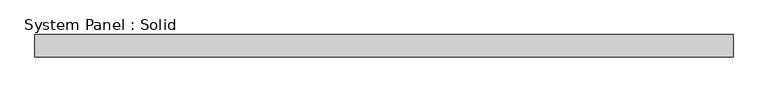
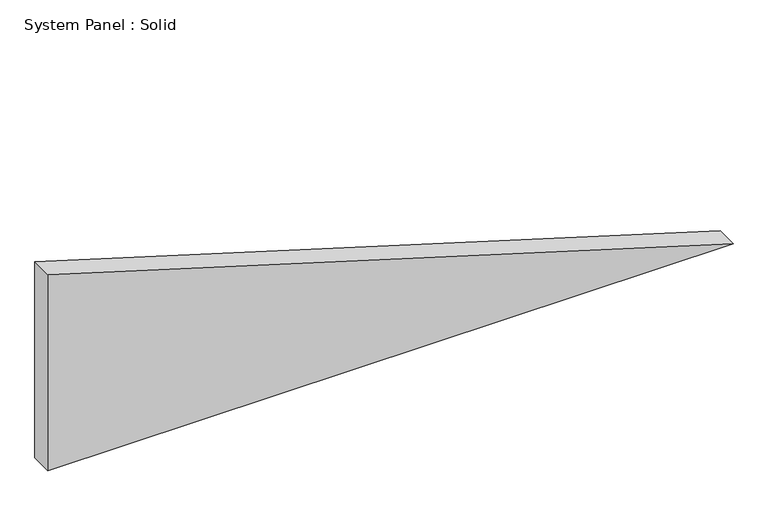
"""IFC4 building model written with IfcOpenShell, lengths in millimetres: plate geometry, System Panel : Solid."""

import ifcopenshell
import ifcopenshell.guid

model = None  # the IFC model being written
_history = None  # IfcOwnerHistory: only IFC2X3 demands one
_inside = {}  # id of a spatial element -> (the spatial element, [elements in it])
_under = {}  # id of a project, library or spatial element -> (it, [spatial elements below it])
_declared = {}  # id of a project -> (the project, [libraries it declares])
_typed = {}  # id of a type object -> (the type object, [elements of that type])
_made_of = {}  # id of a material, layer set ... -> (it, [elements and type objects made of it])


def new_model(schema):
    """Start an empty IFC model of exactly this schema.

    Asked for "IFC4X3", IfcOpenShell would pick the latest addendum, in which some entities
    have other attributes; the version numbers below select the first issue.
    IFC2X3 requires an IfcOwnerHistory on every rooted entity: one is made here for all.
    """
    global model, _history
    if schema == "IFC4X3":
        model = ifcopenshell.file(schema_version=(4, 3, 0, 0))
    else:
        model = ifcopenshell.file(schema=schema)
    _inside.clear()
    _under.clear()
    _declared.clear()
    _typed.clear()
    _made_of.clear()
    _history = None
    if model.schema == "IFC2X3":
        org = make("IfcOrganization", Name="unknown")
        user = make(
            "IfcPersonAndOrganization",
            ThePerson=make("IfcPerson", FamilyName="unknown"),
            TheOrganization=org,
        )
        app = make(
            "IfcApplication",
            ApplicationDeveloper=org,
            Version="unknown",
            ApplicationFullName="unknown",
            ApplicationIdentifier="unknown",
        )
        _history = make(
            "IfcOwnerHistory",
            OwningUser=user,
            OwningApplication=app,
            ChangeAction="ADDED",
            CreationDate=0,
        )
    return model


def make(cls, **values):
    """One entity of the class cls with the attributes given. An attribute that is None is left unset."""
    return model.create_entity(
        cls, **{name: value for name, value in values.items() if value is not None}
    )


def rooted(cls, **values):
    """An entity with a GlobalId (a new one), such as an element, a storey or a relation."""
    return make(cls, GlobalId=ifcopenshell.guid.new(), OwnerHistory=_history, **values)


def si_unit(unit_type, name, prefix=None):
    """IfcSIUnit, for example si_unit("LENGTHUNIT", "METRE", prefix="MILLI")."""
    return make("IfcSIUnit", UnitType=unit_type, Prefix=prefix, Name=name)


def assignment(units):
    """IfcUnitAssignment: the units of a project."""
    return None if units is None else make("IfcUnitAssignment", Units=units)


def point(xyz):
    """IfcCartesianPoint."""
    return None if xyz is None else make("IfcCartesianPoint", Coordinates=xyz)


def direction(xyz):
    """IfcDirection."""
    return None if xyz is None else make("IfcDirection", DirectionRatios=xyz)


def frame(location, z_axis=None, x_axis=None):
    """IfcAxis2Placement3D, a coordinate frame: its origin and axes. An axis left out is left unset."""
    return make(
        "IfcAxis2Placement3D",
        Location=point(location),
        Axis=direction(z_axis),
        RefDirection=direction(x_axis),
    )


def origin():
    """The frame at (0, 0, 0) with its axes left unset."""
    return frame((0.0, 0.0, 0.0))


def place(relative_to, where):
    """IfcLocalPlacement: puts the frame where relative to a parent placement (None: the world)."""
    return make(
        "IfcLocalPlacement", PlacementRelTo=relative_to, RelativePlacement=where
    )


def context(
    kind, dimensions, precision=None, world=None, true_north=None, identifier=None
):
    """IfcGeometricRepresentationContext, for example the 3D "Model" context."""
    return make(
        "IfcGeometricRepresentationContext",
        ContextIdentifier=identifier,
        ContextType=kind,
        CoordinateSpaceDimension=dimensions,
        Precision=precision,
        WorldCoordinateSystem=world,
        TrueNorth=true_north,
    )


def project(units=None, contexts=None):
    """IfcProject with its units and contexts."""
    return rooted(
        "IfcProject",
        Name="project",
        RepresentationContexts=contexts,
        UnitsInContext=assignment(units),
    )


def spatial(cls, under=None, at=None, **own):
    """A site, building, storey or space (cls), placed at a placement, below another one or the project."""
    s = rooted(cls, ObjectPlacement=at, **own)
    if under is not None:
        _under.setdefault(under.id(), (under, []))[1].append(s)
    return s


def polyline(points):
    """IfcPolyline through the points."""
    return make("IfcPolyline", Points=[point(p) for p in points])


def outline(outer, holes=None, kind="AREA"):
    """IfcArbitraryClosedProfileDef: a profile drawn as a closed curve; with holes, ...WithVoids."""
    if holes is None:
        return make("IfcArbitraryClosedProfileDef", ProfileType=kind, OuterCurve=outer)
    return make(
        "IfcArbitraryProfileDefWithVoids",
        ProfileType=kind,
        OuterCurve=outer,
        InnerCurves=holes,
    )


def extrude(swept, where, along, depth):
    """IfcExtrudedAreaSolid: the profile swept, set in the frame where, extruded along a direction by depth."""
    return make(
        "IfcExtrudedAreaSolid",
        SweptArea=swept,
        Position=where,
        ExtrudedDirection=direction(along),
        Depth=depth,
    )


def shape(context_of_items, identifier, shape_type, items):
    """IfcShapeRepresentation: the items that make up one representation, for example the "Body"."""
    return make(
        "IfcShapeRepresentation",
        ContextOfItems=context_of_items,
        RepresentationIdentifier=identifier,
        RepresentationType=shape_type,
        Items=items,
    )


def source(mapping_origin, context_of_items, identifier, shape_type, items):
    """IfcRepresentationMap: a shape defined once, which mapped items show again and again."""
    return make(
        "IfcRepresentationMap",
        MappingOrigin=mapping_origin,
        MappedRepresentation=shape(context_of_items, identifier, shape_type, items),
    )


def transform(
    local_origin,
    x_axis=None,
    y_axis=None,
    z_axis=None,
    scale=None,
    scale2=None,
    scale3=None,
    uniform=True,
):
    """IfcCartesianTransformationOperator3D, or its non-uniform kind. x_axis, y_axis, z_axis: its Axis1, 2, 3."""
    if uniform:
        return make(
            "IfcCartesianTransformationOperator3D",
            Axis1=direction(x_axis),
            Axis2=direction(y_axis),
            LocalOrigin=point(local_origin),
            Scale=scale,
            Axis3=direction(z_axis),
        )
    return make(
        "IfcCartesianTransformationOperator3DnonUniform",
        Axis1=direction(x_axis),
        Axis2=direction(y_axis),
        LocalOrigin=point(local_origin),
        Scale=scale,
        Axis3=direction(z_axis),
        Scale2=scale2,
        Scale3=scale3,
    )


def mapped(mapping_source, mapping_target):
    """IfcMappedItem: shows the shape of a source again, moved by a transform."""
    return make(
        "IfcMappedItem", MappingSource=mapping_source, MappingTarget=mapping_target
    )


def made_of(thing, what):
    """Note that an element or type object is made of a material, layer set ...; save() writes the relation."""
    if what is not None:
        _made_of.setdefault(what.id(), (what, []))[1].append(thing)
    return thing


def element(
    cls,
    number,
    at=None,
    inside=None,
    cuts=None,
    type_object=None,
    material=None,
    context=None,
    identifier="Body",
    shape_type=None,
    held_by="IfcProductDefinitionShape",
    body=None,
    shapes=None,
    **own,
):
    """One element of the class cls, such as IfcWall. Its Tag is "e" and its number.

    at: its placement. inside: the storey or other place that contains it. cuts: it is an
    opening in that element (IfcRelVoidsElement). A single representation is given by context,
    identifier, shape_type and body (its items); several are given by shapes. held_by: the class
    of the entity that holds the representations. save() writes the other relations.
    """
    e = rooted(cls, Tag="e%d" % number, ObjectPlacement=at, **own)
    if body is not None:
        shapes = [shape(context, identifier, shape_type, body)]
    if shapes is not None:
        e.Representation = make(held_by, Representations=shapes)
    if inside is not None:
        _inside.setdefault(inside.id(), (inside, []))[1].append(e)
    if cuts is not None:
        rooted(
            "IfcRelVoidsElement", RelatingBuildingElement=cuts, RelatedOpeningElement=e
        )
    if type_object is not None:
        _typed.setdefault(type_object.id(), (type_object, []))[1].append(e)
    return made_of(e, material)


def aggregate(whole, parts):
    """IfcRelAggregates: a whole, such as a stair, and the parts it consists of."""
    return rooted("IfcRelAggregates", RelatingObject=whole, RelatedObjects=parts)


def save(model, path):
    """Write the relations noted so far, then the file.

    IfcRelAggregates (storeys below a building ...), IfcRelContainedInSpatialStructure (elements
    in a storey), IfcRelDefinesByType, IfcRelAssociatesMaterial and IfcRelDeclares: one each for
    every whole, place, type object, material and project.
    """
    for whole, parts in _under.values():
        aggregate(whole, parts)
    for where, things in _inside.values():
        rooted(
            "IfcRelContainedInSpatialStructure",
            RelatedElements=things,
            RelatingStructure=where,
        )
    for kind, things in _typed.values():
        rooted("IfcRelDefinesByType", RelatedObjects=things, RelatingType=kind)
    for what, things in _made_of.values():
        rooted("IfcRelAssociatesMaterial", RelatedObjects=things, RelatingMaterial=what)
    for by, libraries in _declared.values():
        rooted("IfcRelDeclares", RelatingContext=by, RelatedDefinitions=libraries)
    model.write(path)


def system_panel_solid_da40f5ee(model_context):
    return source(origin(), model_context, "Body", "SweptSolid", [
        extrude(outline(polyline([(0.0, -932.9636689), (0.0, 932.9636689), (564.2540764, -932.9636689), (0.0, -932.9636689)])), frame((0.0, -10.5, 0.0), z_axis=(0.0, 1.0, 0.0), x_axis=(0.0, 0.0, 1.0)), (0.0, 0.0, 1.0), 60.0),
    ])


if __name__ == "__main__":
    model = new_model("IFC4")
    model_context = context("Model", 3, world=origin())
    ifc_project = project(units=[si_unit("LENGTHUNIT", "METRE", prefix="MILLI")], contexts=[model_context])
    site = spatial("IfcSite", under=ifc_project)
    building = spatial("IfcBuilding", under=site)
    placement = place(None, origin())
    system_panel_solid_shape = system_panel_solid_da40f5ee(model_context)
    element("IfcPlate", 1, ObjectType="System Panel : Solid", at=placement, inside=building, context=model_context, shape_type="MappedRepresentation", body=[
        mapped(system_panel_solid_shape, transform((0.0, 0.0, 0.0), x_axis=(1.0, 0.0, 0.0), y_axis=(0.0, 1.0, 0.0), z_axis=(0.0, 0.0, 1.0))),
    ])
    save(model, "model.ifc")
